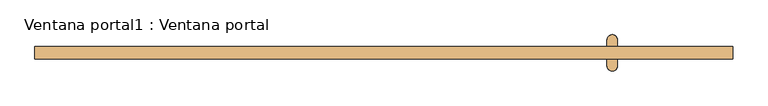
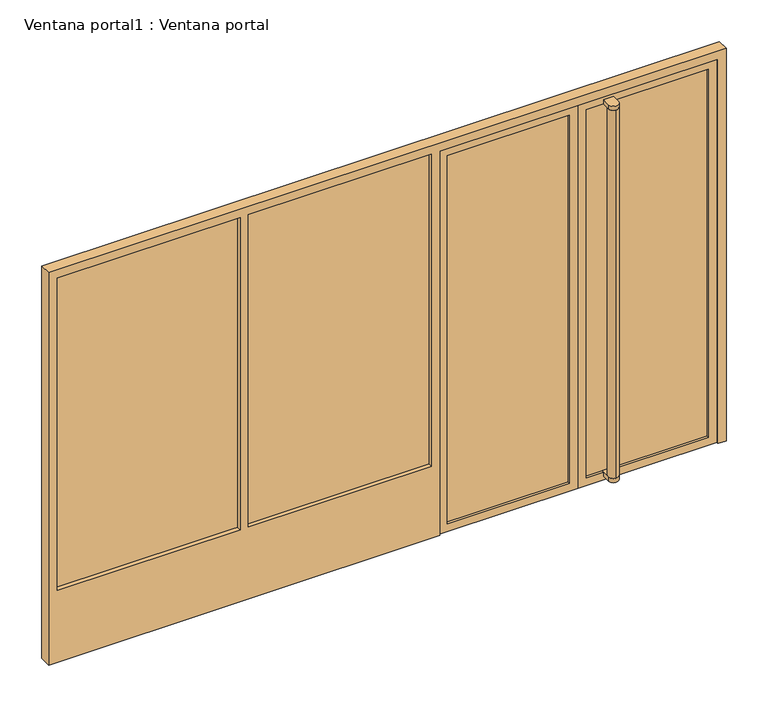
"""IFC4 building model written with IfcOpenShell, lengths in millimetres: door geometry, Ventana portal1 : Ventana portal."""

from ifc_helpers import new_model, si_unit, point, frame, frame_2d, origin, place, context, project, spatial, polyline, circle_curve, trimmed, segment, composite_curve, outline, extrude, source, transform, mapped, element, save


def ventana_portal1_ventana_portal_71da6407(model_context):
    return source(origin(), model_context, "Body", "SweptSolid", [
        extrude(outline(polyline([(2400.0, 52589.3852488), (0.0, 52589.3852488), (0.0, 53409.3852488), (2400.0, 53409.3852488), (2400.0, 52589.3852488)]), holes=[polyline([(2350.0, 53359.3852488), (50.0, 53359.3852488), (50.0, 52639.3852488), (2350.0, 52639.3852488), (2350.0, 53359.3852488)])]), frame((0.0, 51.1764706, 0.0), z_axis=(0.0, 1.0, 0.0), x_axis=(0.0, 0.0, 1.0)), (0.0, 0.0, 1.0), 50.0),
        extrude(outline(composite_curve([segment(polyline([(53619.3852488, 150.438026), (53619.3852488, 1.9149152)]), True, "CONTINUOUS"), segment(trimmed(circle_curve(frame_2d((53589.3852488, 1.9149152)), 30.0), [point((53619.3852488, 1.9149152))], [point((53559.3852488, 1.9149152))], False, "CARTESIAN"), True, "CONTINUOUS"), segment(polyline([(53559.3852488, 1.9149152), (53559.3852488, 150.438026)]), True, "CONTINUOUS"), segment(trimmed(circle_curve(frame_2d((53589.3852488, 150.438026)), 30.0), [point((53559.3852488, 150.438026))], [point((53619.3852488, 150.438026))], False, "CARTESIAN"), True, "CONTINUOUS")], self_intersect=False)), frame((0.0, 0.0, 2350.0), z_axis=(0.0, 0.0, 1.0), x_axis=(1.0, 0.0, 0.0)), (0.0, 0.0, 1.0), 25.0),
        extrude(outline(composite_curve([segment(polyline([(53619.3852488, 150.438026), (53619.3852488, 1.9149152)]), True, "CONTINUOUS"), segment(trimmed(circle_curve(frame_2d((53589.3852488, 1.9149152)), 30.0), [point((53619.3852488, 1.9149152))], [point((53559.3852488, 1.9149152))], False, "CARTESIAN"), True, "CONTINUOUS"), segment(polyline([(53559.3852488, 1.9149152), (53559.3852488, 150.438026)]), True, "CONTINUOUS"), segment(trimmed(circle_curve(frame_2d((53589.3852488, 150.438026)), 30.0), [point((53559.3852488, 150.438026))], [point((53619.3852488, 150.438026))], False, "CARTESIAN"), True, "CONTINUOUS")], self_intersect=False)), frame((0.0, 0.0, 25.0), z_axis=(0.0, 0.0, 1.0), x_axis=(1.0, 0.0, 0.0)), (0.0, 0.0, 1.0), 25.0),
        extrude(outline(composite_curve([segment(trimmed(circle_curve(frame_2d((53589.3852488, 1.9149152)), 30.0), [point((53589.3852488, -28.0850848))], [point((53589.3852488, 31.9149152))], False, "CARTESIAN"), True, "CONTINUOUS"), segment(trimmed(circle_curve(frame_2d((53589.3852488, 1.9149152)), 30.0), [point((53589.3852488, 31.9149152))], [point((53589.3852488, -28.0850848))], False, "CARTESIAN"), True, "CONTINUOUS")], self_intersect=False)), frame((0.0, 0.0, 50.0), z_axis=(0.0, 0.0, 1.0), x_axis=(1.0, 0.0, 0.0)), (0.0, 0.0, 1.0), 2300.0),
        extrude(outline(composite_curve([segment(trimmed(circle_curve(frame_2d((53589.3852488, 150.438026)), 30.0), [point((53589.3852488, 180.438026))], [point((53589.3852488, 120.438026))], False, "CARTESIAN"), True, "CONTINUOUS"), segment(trimmed(circle_curve(frame_2d((53589.3852488, 150.438026)), 30.0), [point((53589.3852488, 120.438026))], [point((53589.3852488, 180.438026))], False, "CARTESIAN"), True, "CONTINUOUS")], self_intersect=False)), frame((0.0, 0.0, 50.0), z_axis=(0.0, 0.0, 1.0), x_axis=(1.0, 0.0, 0.0)), (0.0, 0.0, 1.0), 2300.0),
        extrude(outline(polyline([(54179.3852488, 66.1764706), (53459.3852488, 66.1764706), (53459.3852488, 86.1764706), (54179.3852488, 86.1764706), (54179.3852488, 66.1764706)])), frame((0.0, 0.0, 50.0), z_axis=(0.0, 0.0, 1.0), x_axis=(1.0, 0.0, 0.0)), (0.0, 0.0, 1.0), 2300.0),
        extrude(outline(polyline([(53359.3852488, 66.1764706), (52639.3852488, 66.1764706), (52639.3852488, 86.1764706), (53359.3852488, 86.1764706), (53359.3852488, 66.1764706)])), frame((0.0, 0.0, 50.0), z_axis=(0.0, 0.0, 1.0), x_axis=(1.0, 0.0, 0.0)), (0.0, 0.0, 1.0), 2300.0),
        extrude(outline(polyline([(51409.3852488, 66.1764706), (50329.3852488, 66.1764706), (50329.3852488, 86.1764706), (51409.3852488, 86.1764706), (51409.3852488, 66.1764706)])), frame((0.0, 0.0, 450.0), z_axis=(0.0, 0.0, 1.0), x_axis=(1.0, 0.0, 0.0)), (0.0, 0.0, 1.0), 1950.0),
        extrude(outline(polyline([(52539.3852488, 66.1764706), (51459.3852488, 66.1764706), (51459.3852488, 86.1764706), (52539.3852488, 86.1764706), (52539.3852488, 66.1764706)])), frame((0.0, 0.0, 450.0), z_axis=(0.0, 0.0, 1.0), x_axis=(1.0, 0.0, 0.0)), (0.0, 0.0, 1.0), 1950.0),
        extrude(outline(polyline([(2400.0, 54229.3852488), (2400.0, 53409.3852488), (0.0, 53409.3852488), (0.0, 54229.3852488), (2400.0, 54229.3852488)]), holes=[polyline([(2350.0, 53459.3852488), (2350.0, 54179.3852488), (50.0, 54179.3852488), (50.0, 53459.3852488), (2350.0, 53459.3852488)])]), frame((0.0, 51.1764706, 0.0), z_axis=(0.0, 1.0, 0.0), x_axis=(0.0, 0.0, 1.0)), (0.0, 0.0, 1.0), 50.0),
        extrude(outline(polyline([(2450.0, 50279.3852488), (0.0, 50279.3852488), (0.0, 52589.3852488), (2400.0, 52589.3852488), (2400.0, 54229.3852488), (0.0, 54229.3852488), (0.0, 54279.3852488), (2450.0, 54279.3852488), (2450.0, 50279.3852488)]), holes=[polyline([(2400.0, 50329.3852488), (2400.0, 51409.3852488), (450.0, 51409.3852488), (450.0, 50329.3852488), (2400.0, 50329.3852488)]), polyline([(450.0, 51459.3852488), (2400.0, 51459.3852488), (2400.0, 52539.3852488), (450.0, 52539.3852488), (450.0, 51459.3852488)])]), frame((0.0, 41.1764706, 0.0), z_axis=(0.0, 1.0, 0.0), x_axis=(0.0, 0.0, 1.0)), (0.0, 0.0, 1.0), 70.0),
    ])


if __name__ == "__main__":
    model = new_model("IFC4")
    model_context = context("Model", 3, world=origin())
    ifc_project = project(units=[si_unit("LENGTHUNIT", "METRE", prefix="MILLI")], contexts=[model_context])
    site = spatial("IfcSite", under=ifc_project)
    building = spatial("IfcBuilding", under=site)
    placement = place(None, origin())
    ventana_portal1_ventana_portal_shape = ventana_portal1_ventana_portal_71da6407(model_context)
    element("IfcDoor", 1, ObjectType="Ventana portal1 : Ventana portal", at=placement, inside=building, context=model_context, shape_type="MappedRepresentation", body=[
        mapped(ventana_portal1_ventana_portal_shape, transform((0.0, 0.0, 0.0), x_axis=(1.0, 0.0, 0.0), y_axis=(0.0, 1.0, 0.0), z_axis=(0.0, 0.0, 1.0))),
    ])
    save(model, "model.ifc")
